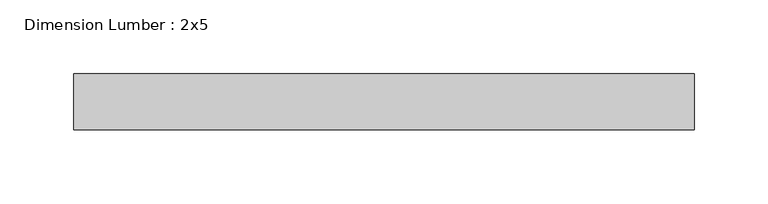
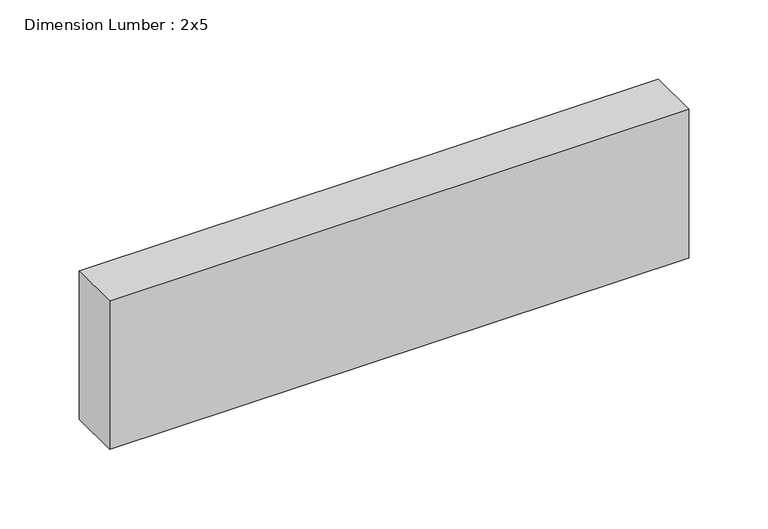
"""IFC4 building model written with IfcOpenShell, lengths in millimetres: beam geometry, Dimension Lumber : 2x5."""

from ifc_helpers import new_model, si_unit, frame, origin, place, context, project, spatial, polyline, outline, extrude, source, transform, mapped, element, save


def dimension_lumber_2x5_788f8761(model_context):
    return source(origin(), model_context, "Body", "SweptSolid", [
        extrude(outline(polyline([(213.019999, 19.05), (213.019999, -19.05), (-207.8432417, -19.05), (-207.8432417, 19.05), (213.019999, 19.05)])), frame((0.0, 0.0, -57.15), z_axis=(0.0, 0.0, 1.0), x_axis=(1.0, 0.0, 0.0)), (0.0, 0.0, 1.0), 114.3),
    ])


if __name__ == "__main__":
    model = new_model("IFC4")
    model_context = context("Model", 3, world=origin())
    ifc_project = project(units=[si_unit("LENGTHUNIT", "METRE", prefix="MILLI")], contexts=[model_context])
    site = spatial("IfcSite", under=ifc_project)
    building = spatial("IfcBuilding", under=site)
    placement = place(None, origin())
    dimension_lumber_2x5_shape = dimension_lumber_2x5_788f8761(model_context)
    element("IfcBeam", 1, ObjectType="Dimension Lumber : 2x5", at=placement, inside=building, context=model_context, shape_type="MappedRepresentation", body=[
        mapped(dimension_lumber_2x5_shape, transform((0.0, 0.0, 0.0), x_axis=(1.0, 0.0, 0.0), y_axis=(0.0, 1.0, 0.0), z_axis=(0.0, 0.0, 1.0))),
    ])
    save(model, "model.ifc")
